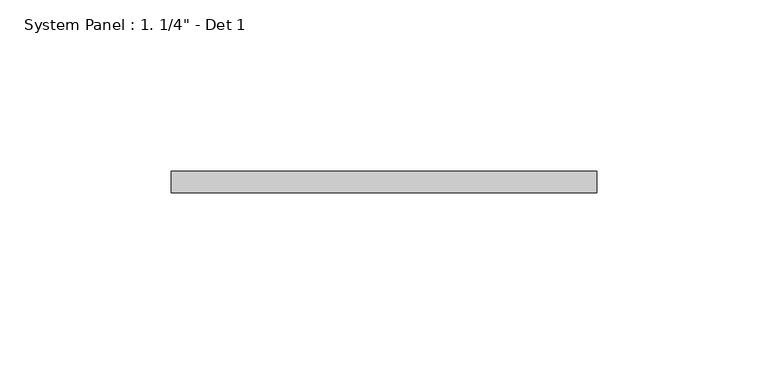
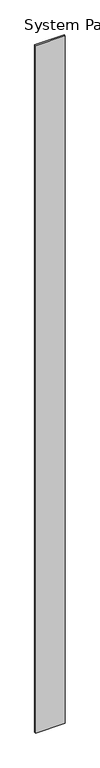
"""IFC4 building model written with IfcOpenShell, lengths in millimetres: plate geometry."""

from ifc_helpers import new_model, si_unit, origin, origin_with_axes, place, context, project, spatial, polyline, outline, extrude, source, transform, mapped, element, save


def plate_bccb5514(model_context):
    return source(origin(), model_context, "Body", "SweptSolid", [
        extrude(outline(polyline([(62.1522747, 0.0), (-62.1522747, 0.0), (-62.1522747, 6.35), (62.1522747, 6.35), (62.1522747, 0.0)])), origin_with_axes(), (0.0, 0.0, 1.0), 3048.0),
    ])


if __name__ == "__main__":
    model = new_model("IFC4")
    model_context = context("Model", 3, world=origin())
    ifc_project = project(units=[si_unit("LENGTHUNIT", "METRE", prefix="MILLI")], contexts=[model_context])
    site = spatial("IfcSite", under=ifc_project)
    building = spatial("IfcBuilding", under=site)
    placement = place(None, origin())
    plate_shape = plate_bccb5514(model_context)
    element("IfcPlate", 1, ObjectType="System Panel : 1. 1/4\" - Det 1", at=placement, inside=building, context=model_context, shape_type="MappedRepresentation", body=[
        mapped(plate_shape, transform((0.0, 0.0, 0.0), x_axis=(1.0, 0.0, 0.0), y_axis=(0.0, 1.0, 0.0), z_axis=(0.0, 0.0, 1.0))),
    ])
    save(model, "model.ifc")
